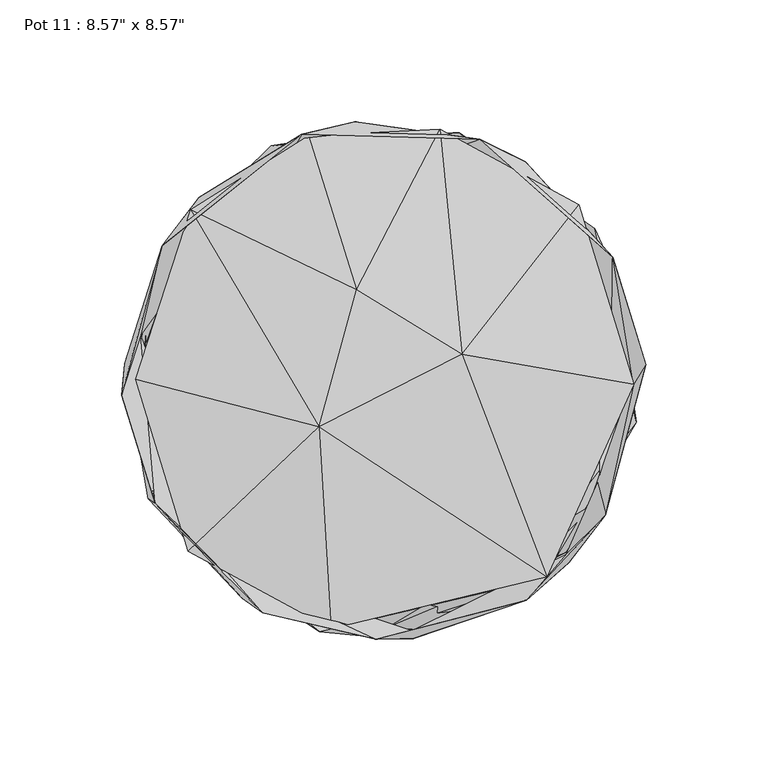
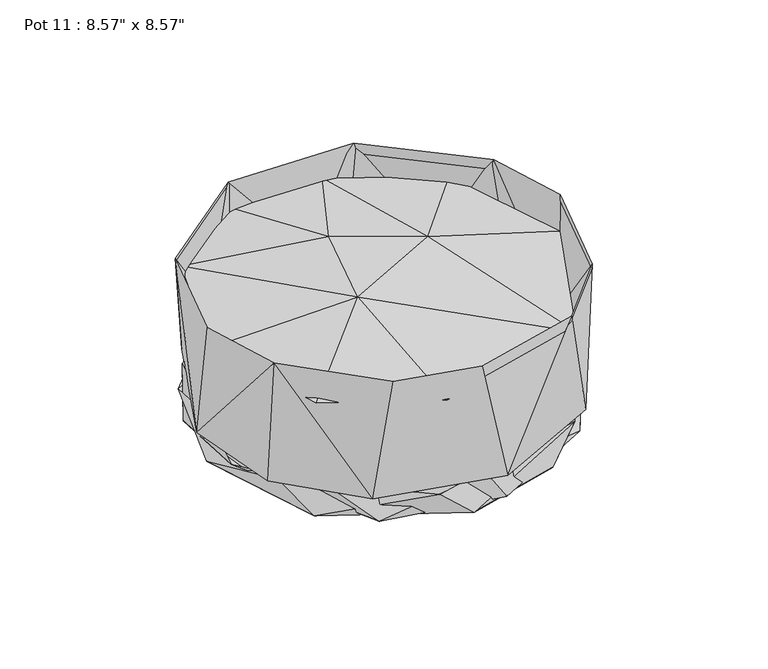
"""IFC4 building model written with IfcOpenShell, lengths in millimetres: furniture geometry."""

from ifc_helpers import new_model, si_unit, origin, place, context, project, spatial, triangles, source, transform, mapped, element, save


def furniture_e3037674(model_context):
    return source(origin(), model_context, "Body", "Tessellation", [
        triangles([(-11.8939279, 106.1996859, 18.7645103), (39.4359831, 98.9634997, 92.7364361), (58.3099128, 89.6470535, 18.7645103), (24.4015447, 100.7710656, 21.3562046), (-33.7622174, 100.9744416, 92.7268891), (94.1022594, 50.5589824, 92.6355611), (-58.3078281, -89.6481254, 18.7645103), (11.8951792, -106.1998585, 18.7645103), (-3.2091737, -106.4835803, 92.7383437), (-49.8220316, -95.687982, 92.7364361), (-94.1017234, -50.559582, 92.6353522), (-96.9088104, -48.8178732, 18.7645103), (11.5361213, -103.0398588, 21.3562046), (-65.8673049, -77.3314262, 21.3562046), (58.7106333, -90.5569816, 92.7069503), (75.0700817, -71.517705, 21.3562046), (76.0390178, -75.0640637, 18.7645103), (-99.904358, 18.3768273, 21.3562046), (91.1089737, -55.6228766, 92.6229347), (103.4778953, -6.5309405, 21.3562046), (104.5097727, 6.137252, 18.7645103), (-106.6517841, 6.7275168, 18.7645103), (107.7814662, 6.3814521, 92.6592152), (83.4674252, 61.5100264, 21.3562046), (-107.8305275, -6.1539411, 92.6136057), (-91.2462473, 55.2917104, 92.6175299), (-76.0387181, 75.0635868, 18.7645103), (-46.0813624, 92.8801864, 21.3562046)], [[1, 2, 3], [4, 2, 5], [3, 2, 6], [7, 8, 9], [7, 9, 10], [7, 10, 11], [7, 11, 12], [13, 14, 9], [13, 9, 15], [13, 15, 16], [8, 17, 15], [8, 15, 9], [14, 10, 9], [14, 11, 10], [14, 18, 11], [16, 15, 19], [16, 19, 20], [17, 19, 15], [17, 21, 19], [12, 11, 22], [20, 19, 23], [20, 23, 6], [20, 6, 24], [22, 11, 25], [22, 25, 26], [22, 26, 27], [18, 26, 25], [18, 25, 11], [18, 28, 26], [21, 23, 19], [21, 6, 23], [21, 3, 6], [27, 5, 1], [27, 26, 5], [24, 2, 4], [24, 6, 2], [28, 5, 26], [28, 4, 5], [1, 5, 2]], closed=False),
        triangles([(67.0001528, -80.799583, 73.9362074), (32.0469152, 10.5562802, 90.3633888), (-26.5416507, -19.2691681, 91.2029632), (-101.9548778, 0.2583265, 74.3083231), (-79.367403, 69.9697117, 74.9888866), (-11.1985806, 37.0295643, 89.3399956), (102.8768419, -1.6313791, 76.5069035), (80.1868479, 72.1487393, 73.5617708), (23.1161126, 103.0078568, 74.0980798), (-30.9752237, 100.5101168, 75.2869607), (-80.5494166, -70.2730407, 74.9016917), (-21.6742743, -102.2343666, 75.5511888)], [[1, 2, 3], [4, 3, 5], [3, 2, 6], [3, 6, 5], [7, 8, 2], [2, 9, 6], [2, 8, 9], [6, 10, 5], [6, 9, 10], [11, 12, 3], [11, 3, 4], [12, 1, 3], [1, 7, 2]], closed=False),
        triangles([(-54.0970568, -88.8094865, 2.8091834), (1.7548204, -101.6107764, 21.3420203), (13.305783, -102.5341757, 3.0603655), (-74.2067714, -72.3936553, 21.3420203), (103.8363582, -2.8561949, 2.8555375), (20.576299, 101.8977774, 2.823079), (-96.1718006, 38.7643581, 2.9324407), (-101.0565133, -18.6694863, 12.1294343), (-26.4587411, -103.5040656, 18.762739), (-7.5402261, -105.329154, 2.0993399), (65.6258453, -81.5382007, 18.762739), (-80.2944903, -67.5561417, 2.3445817), (-91.69483, -50.4696983, 18.762739), (-102.63932, 3.7227274, 1.0953546), (48.0800276, -89.5062645, 1.0436968), (74.7095341, -70.9637417, 3.2224456), (88.8747532, -49.2862449, 21.3420203), (94.5581818, 45.0407873, 1.9052253), (103.9048405, -17.2982219, 13.2962417), (-14.6557097, 101.1939686, 0.9768705), (-91.721836, 51.7923828, 13.2962417), (88.5773877, 52.1070938, 12.1294343), (-84.1801179, 60.5077756, 21.3420203), (86.799562, 62.281609, 18.762739), (-35.9336737, 96.2794975, 12.1293287), (-46.2618474, 96.2962479, 18.762739), (44.9715873, 93.4079249, 21.3420203), (31.0093763, 101.7277841, 14.9243638)], [[1, 2, 3], [1, 4, 2], [1, 3, 5], [1, 5, 6], [1, 6, 7], [1, 7, 8], [1, 8, 4], [9, 10, 11], [9, 12, 10], [9, 13, 12], [10, 12, 14], [10, 14, 15], [10, 15, 11], [2, 16, 3], [2, 17, 16], [3, 16, 5], [15, 18, 19], [15, 14, 20], [15, 20, 18], [15, 19, 11], [12, 13, 14], [16, 17, 5], [13, 21, 14], [17, 22, 5], [8, 7, 23], [5, 22, 6], [19, 18, 24], [14, 21, 20], [7, 6, 25], [7, 25, 23], [21, 26, 20], [22, 27, 6], [18, 28, 24], [18, 20, 28], [26, 28, 20], [25, 6, 27]], closed=False),
    ])


if __name__ == "__main__":
    model = new_model("IFC4")
    model_context = context("Model", 3, world=origin())
    ifc_project = project(units=[si_unit("LENGTHUNIT", "METRE", prefix="MILLI")], contexts=[model_context])
    site = spatial("IfcSite", under=ifc_project)
    building = spatial("IfcBuilding", under=site)
    placement = place(None, origin())
    furniture_shape = furniture_e3037674(model_context)
    element("IfcFurniture", 1, ObjectType="Pot 11 : 8.57\" x 8.57\"", at=placement, inside=building, context=model_context, shape_type="MappedRepresentation", body=[
        mapped(furniture_shape, transform((0.0, 0.0, 0.0), x_axis=(1.0, 0.0, 0.0), y_axis=(0.0, 1.0, 0.0), z_axis=(0.0, 0.0, 1.0))),
    ])
    save(model, "model.ifc")
